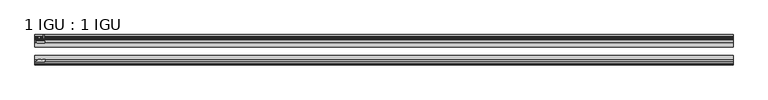
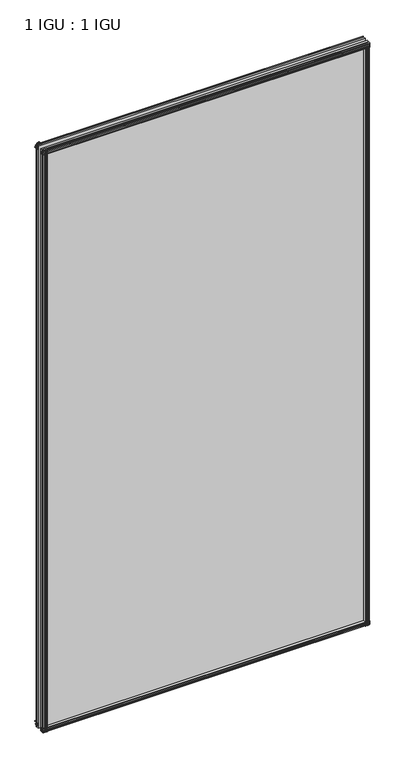
"""IFC4 building model written with IfcOpenShell, lengths in millimetres: plate geometry, 1 IGU : 1 IGU."""

import ifcopenshell
import ifcopenshell.guid

model = None  # the IFC model being written
_history = None  # IfcOwnerHistory: only IFC2X3 demands one
_inside = {}  # id of a spatial element -> (the spatial element, [elements in it])
_under = {}  # id of a project, library or spatial element -> (it, [spatial elements below it])
_declared = {}  # id of a project -> (the project, [libraries it declares])
_typed = {}  # id of a type object -> (the type object, [elements of that type])
_made_of = {}  # id of a material, layer set ... -> (it, [elements and type objects made of it])


def new_model(schema):
    """Start an empty IFC model of exactly this schema.

    Asked for "IFC4X3", IfcOpenShell would pick the latest addendum, in which some entities
    have other attributes; the version numbers below select the first issue.
    IFC2X3 requires an IfcOwnerHistory on every rooted entity: one is made here for all.
    """
    global model, _history
    if schema == "IFC4X3":
        model = ifcopenshell.file(schema_version=(4, 3, 0, 0))
    else:
        model = ifcopenshell.file(schema=schema)
    _inside.clear()
    _under.clear()
    _declared.clear()
    _typed.clear()
    _made_of.clear()
    _history = None
    if model.schema == "IFC2X3":
        org = make("IfcOrganization", Name="unknown")
        user = make(
            "IfcPersonAndOrganization",
            ThePerson=make("IfcPerson", FamilyName="unknown"),
            TheOrganization=org,
        )
        app = make(
            "IfcApplication",
            ApplicationDeveloper=org,
            Version="unknown",
            ApplicationFullName="unknown",
            ApplicationIdentifier="unknown",
        )
        _history = make(
            "IfcOwnerHistory",
            OwningUser=user,
            OwningApplication=app,
            ChangeAction="ADDED",
            CreationDate=0,
        )
    return model


def make(cls, **values):
    """One entity of the class cls with the attributes given. An attribute that is None is left unset."""
    return model.create_entity(
        cls, **{name: value for name, value in values.items() if value is not None}
    )


def rooted(cls, **values):
    """An entity with a GlobalId (a new one), such as an element, a storey or a relation."""
    return make(cls, GlobalId=ifcopenshell.guid.new(), OwnerHistory=_history, **values)


def si_unit(unit_type, name, prefix=None):
    """IfcSIUnit, for example si_unit("LENGTHUNIT", "METRE", prefix="MILLI")."""
    return make("IfcSIUnit", UnitType=unit_type, Prefix=prefix, Name=name)


def assignment(units):
    """IfcUnitAssignment: the units of a project."""
    return None if units is None else make("IfcUnitAssignment", Units=units)


def point(xyz):
    """IfcCartesianPoint."""
    return None if xyz is None else make("IfcCartesianPoint", Coordinates=xyz)


def direction(xyz):
    """IfcDirection."""
    return None if xyz is None else make("IfcDirection", DirectionRatios=xyz)


def frame(location, z_axis=None, x_axis=None):
    """IfcAxis2Placement3D, a coordinate frame: its origin and axes. An axis left out is left unset."""
    return make(
        "IfcAxis2Placement3D",
        Location=point(location),
        Axis=direction(z_axis),
        RefDirection=direction(x_axis),
    )


def frame_2d(location, x_axis=None):
    """IfcAxis2Placement2D, a coordinate frame in the plane: its origin and x axis."""
    return make(
        "IfcAxis2Placement2D", Location=point(location), RefDirection=direction(x_axis)
    )


def origin():
    """The frame at (0, 0, 0) with its axes left unset."""
    return frame((0.0, 0.0, 0.0))


def place(relative_to, where):
    """IfcLocalPlacement: puts the frame where relative to a parent placement (None: the world)."""
    return make(
        "IfcLocalPlacement", PlacementRelTo=relative_to, RelativePlacement=where
    )


def context(
    kind, dimensions, precision=None, world=None, true_north=None, identifier=None
):
    """IfcGeometricRepresentationContext, for example the 3D "Model" context."""
    return make(
        "IfcGeometricRepresentationContext",
        ContextIdentifier=identifier,
        ContextType=kind,
        CoordinateSpaceDimension=dimensions,
        Precision=precision,
        WorldCoordinateSystem=world,
        TrueNorth=true_north,
    )


def project(units=None, contexts=None):
    """IfcProject with its units and contexts."""
    return rooted(
        "IfcProject",
        Name="project",
        RepresentationContexts=contexts,
        UnitsInContext=assignment(units),
    )


def spatial(cls, under=None, at=None, **own):
    """A site, building, storey or space (cls), placed at a placement, below another one or the project."""
    s = rooted(cls, ObjectPlacement=at, **own)
    if under is not None:
        _under.setdefault(under.id(), (under, []))[1].append(s)
    return s


def polyline(points):
    """IfcPolyline through the points."""
    return make("IfcPolyline", Points=[point(p) for p in points])


def circle_curve(where, radius):
    """IfcCircle in the frame where."""
    return make("IfcCircle", Position=where, Radius=radius)


def trimmed(basis, trim1, trim2, sense, master):
    """IfcTrimmedCurve: the piece of a basis curve between two trims."""
    return make(
        "IfcTrimmedCurve",
        BasisCurve=basis,
        Trim1=trim1,
        Trim2=trim2,
        SenseAgreement=sense,
        MasterRepresentation=master,
    )


def segment(curve, same_sense, transition):
    """IfcCompositeCurveSegment."""
    return make(
        "IfcCompositeCurveSegment",
        Transition=transition,
        SameSense=same_sense,
        ParentCurve=curve,
    )


def composite_curve(segments, self_intersect=None):
    """IfcCompositeCurve: segments joined end to end."""
    return make("IfcCompositeCurve", Segments=segments, SelfIntersect=self_intersect)


def outline(outer, holes=None, kind="AREA"):
    """IfcArbitraryClosedProfileDef: a profile drawn as a closed curve; with holes, ...WithVoids."""
    if holes is None:
        return make("IfcArbitraryClosedProfileDef", ProfileType=kind, OuterCurve=outer)
    return make(
        "IfcArbitraryProfileDefWithVoids",
        ProfileType=kind,
        OuterCurve=outer,
        InnerCurves=holes,
    )


def extrude(swept, where, along, depth):
    """IfcExtrudedAreaSolid: the profile swept, set in the frame where, extruded along a direction by depth."""
    return make(
        "IfcExtrudedAreaSolid",
        SweptArea=swept,
        Position=where,
        ExtrudedDirection=direction(along),
        Depth=depth,
    )


def shape(context_of_items, identifier, shape_type, items):
    """IfcShapeRepresentation: the items that make up one representation, for example the "Body"."""
    return make(
        "IfcShapeRepresentation",
        ContextOfItems=context_of_items,
        RepresentationIdentifier=identifier,
        RepresentationType=shape_type,
        Items=items,
    )


def source(mapping_origin, context_of_items, identifier, shape_type, items):
    """IfcRepresentationMap: a shape defined once, which mapped items show again and again."""
    return make(
        "IfcRepresentationMap",
        MappingOrigin=mapping_origin,
        MappedRepresentation=shape(context_of_items, identifier, shape_type, items),
    )


def transform(
    local_origin,
    x_axis=None,
    y_axis=None,
    z_axis=None,
    scale=None,
    scale2=None,
    scale3=None,
    uniform=True,
):
    """IfcCartesianTransformationOperator3D, or its non-uniform kind. x_axis, y_axis, z_axis: its Axis1, 2, 3."""
    if uniform:
        return make(
            "IfcCartesianTransformationOperator3D",
            Axis1=direction(x_axis),
            Axis2=direction(y_axis),
            LocalOrigin=point(local_origin),
            Scale=scale,
            Axis3=direction(z_axis),
        )
    return make(
        "IfcCartesianTransformationOperator3DnonUniform",
        Axis1=direction(x_axis),
        Axis2=direction(y_axis),
        LocalOrigin=point(local_origin),
        Scale=scale,
        Axis3=direction(z_axis),
        Scale2=scale2,
        Scale3=scale3,
    )


def mapped(mapping_source, mapping_target):
    """IfcMappedItem: shows the shape of a source again, moved by a transform."""
    return make(
        "IfcMappedItem", MappingSource=mapping_source, MappingTarget=mapping_target
    )


def made_of(thing, what):
    """Note that an element or type object is made of a material, layer set ...; save() writes the relation."""
    if what is not None:
        _made_of.setdefault(what.id(), (what, []))[1].append(thing)
    return thing


def element(
    cls,
    number,
    at=None,
    inside=None,
    cuts=None,
    type_object=None,
    material=None,
    context=None,
    identifier="Body",
    shape_type=None,
    held_by="IfcProductDefinitionShape",
    body=None,
    shapes=None,
    **own,
):
    """One element of the class cls, such as IfcWall. Its Tag is "e" and its number.

    at: its placement. inside: the storey or other place that contains it. cuts: it is an
    opening in that element (IfcRelVoidsElement). A single representation is given by context,
    identifier, shape_type and body (its items); several are given by shapes. held_by: the class
    of the entity that holds the representations. save() writes the other relations.
    """
    e = rooted(cls, Tag="e%d" % number, ObjectPlacement=at, **own)
    if body is not None:
        shapes = [shape(context, identifier, shape_type, body)]
    if shapes is not None:
        e.Representation = make(held_by, Representations=shapes)
    if inside is not None:
        _inside.setdefault(inside.id(), (inside, []))[1].append(e)
    if cuts is not None:
        rooted(
            "IfcRelVoidsElement", RelatingBuildingElement=cuts, RelatedOpeningElement=e
        )
    if type_object is not None:
        _typed.setdefault(type_object.id(), (type_object, []))[1].append(e)
    return made_of(e, material)


def aggregate(whole, parts):
    """IfcRelAggregates: a whole, such as a stair, and the parts it consists of."""
    return rooted("IfcRelAggregates", RelatingObject=whole, RelatedObjects=parts)


def save(model, path):
    """Write the relations noted so far, then the file.

    IfcRelAggregates (storeys below a building ...), IfcRelContainedInSpatialStructure (elements
    in a storey), IfcRelDefinesByType, IfcRelAssociatesMaterial and IfcRelDeclares: one each for
    every whole, place, type object, material and project.
    """
    for whole, parts in _under.values():
        aggregate(whole, parts)
    for where, things in _inside.values():
        rooted(
            "IfcRelContainedInSpatialStructure",
            RelatedElements=things,
            RelatingStructure=where,
        )
    for kind, things in _typed.values():
        rooted("IfcRelDefinesByType", RelatedObjects=things, RelatingType=kind)
    for what, things in _made_of.values():
        rooted("IfcRelAssociatesMaterial", RelatedObjects=things, RelatingMaterial=what)
    for by, libraries in _declared.values():
        rooted("IfcRelDeclares", RelatingContext=by, RelatedDefinitions=libraries)
    model.write(path)


def plate_1_igu_1_igu_138b225a(model_context):
    return source(origin(), model_context, "Body", "SweptSolid", [
        extrude(outline(polyline([(-24.9039062, 2.5763839), (-12.2039062, 1.5739665), (-12.2039062, 0.0), (-18.5539062, 0.0), (-18.5539062, -4.953), (-16.254502, -5.5691235), (-16.6301757, -4.1670901), (-15.7714677, -3.937), (-15.1249062, -6.35), (-15.7714677, -8.763), (-16.6301757, -8.5329099), (-16.254502, -7.1308765), (-18.5539062, -7.747), (-18.5539062, -12.7), (-20.5859062, -12.7), (-24.9039062, -9.1036931), (-24.9039062, 2.5763839)])), frame((-535.4727182, 0.0, 0.0), z_axis=(1.0, 0.0, 0.0), x_axis=(0.0, 1.0, 0.0)), (0.0, 0.0, 1.0), 1072.6321551),
        extrude(outline(composite_curve([segment(polyline([(-58.2287402, 1.5687054), (-50.3039062, 3.0983599), (-50.3039062, -7.92383), (-54.4858806, -12.1058044)]), True, "CONTINUOUS"), segment(trimmed(circle_curve(frame_2d((-55.3839062, -11.2077788)), 1.27), [point((-54.4858806, -12.1058044))], [point((-56.6539062, -11.2077788))], False, "CARTESIAN"), True, "CONTINUOUS"), segment(polyline([(-56.6539062, -11.2077788), (-56.6539062, -8.0327788), (-58.1332022, -5.4488186), (-56.6539062, -5.1879788), (-56.6539062, 0.2222212), (-58.2287402, 0.0), (-58.2287402, 1.5687054)]), True, "CONTINUOUS")], self_intersect=False)), frame((-535.4727182, 0.0, 0.0), z_axis=(1.0, 0.0, 0.0), x_axis=(0.0, 1.0, 0.0)), (0.0, 0.0, 1.0), 1072.6321551),
        extrude(outline(polyline([(-18.5539063, 2001.656525), (-16.254502, 2001.0404015), (-16.6301757, 2002.4424349), (-15.7714677, 2002.672525), (-15.1249063, 2000.259525), (-15.7714677, 1997.846525), (-16.6301757, 1998.0766151), (-16.254502, 1999.4786485), (-18.5539063, 1998.862525), (-18.5539063, 1993.909525), (-12.2039062, 1993.909525), (-12.2039062, 1992.3355584), (-24.9039063, 1991.3331411), (-24.9039063, 2003.0132181), (-20.5859063, 2006.609525), (-18.5539063, 2006.609525), (-18.5539063, 2001.656525)])), frame((-535.4727182, 0.0, 0.0), z_axis=(1.0, 0.0, 0.0), x_axis=(0.0, 1.0, 0.0)), (0.0, 0.0, 1.0), 1072.6321551),
        extrude(outline(composite_curve([segment(polyline([(-50.3039063, 2001.833355), (-50.3039063, 1990.8111651), (-58.2287402, 1992.3408196), (-58.2287402, 1993.909525), (-56.6539063, 1993.6873038), (-56.6539063, 1999.0975038), (-58.1332023, 1999.3583436), (-56.6539063, 2001.9423038), (-56.6539063, 2005.1173038)]), True, "CONTINUOUS"), segment(trimmed(circle_curve(frame_2d((-55.3839063, 2005.1173038)), 1.27), [point((-56.6539063, 2005.1173038))], [point((-54.4858806, 2006.0153294))], False, "CARTESIAN"), True, "CONTINUOUS"), segment(polyline([(-54.4858806, 2006.0153294), (-50.3039063, 2001.833355)]), True, "CONTINUOUS")], self_intersect=False)), frame((-535.4727182, 0.0, 0.0), z_axis=(1.0, 0.0, 0.0), x_axis=(0.0, 1.0, 0.0)), (0.0, 0.0, 1.0), 1072.6321551),
        extrude(outline(composite_curve([segment(polyline([(522.7283929, -57.3876965), (521.361077, -50.3039063), (532.3832669, -50.3039063), (536.5652413, -54.4858806)]), True, "CONTINUOUS"), segment(trimmed(circle_curve(frame_2d((535.6672157, -55.3839063)), 1.27), [point((536.5652413, -54.4858806))], [point((535.6672157, -56.6539063))], False, "CARTESIAN"), True, "CONTINUOUS"), segment(polyline([(535.6672157, -56.6539063), (532.4922157, -56.6539063), (529.9082555, -58.1332023), (529.6474157, -56.6539063), (524.2372157, -56.6539063), (524.4594369, -58.2287402), (523.4951162, -58.2014026)]), True, "CONTINUOUS"), segment(trimmed(circle_curve(frame_2d((523.7292157, -57.2127402)), 1.016), [point((523.4951162, -58.2014026))], [point((522.7283929, -57.3876965))], False, "CARTESIAN"), True, "CONTINUOUS")], self_intersect=False)), frame((0.0, 0.0, -12.7), z_axis=(0.0, 0.0, 1.0), x_axis=(1.0, 0.0, 0.0)), (0.0, 0.0, 1.0), 2007.0064),
        extrude(outline(polyline([(529.4124369, -18.5539063), (530.0285604, -16.254502), (528.6265271, -16.6301757), (528.3964369, -15.7714677), (530.8094369, -15.1249063), (533.2224369, -15.7714677), (532.9923468, -16.6301757), (531.5903134, -16.254502), (532.2064369, -18.5539063), (537.1594369, -18.5539063), (537.1594369, -20.5859063), (533.56313, -24.9039063), (521.883053, -24.9039063), (522.8854704, -12.2039063), (524.4594369, -12.2039063), (524.4594369, -18.5539063), (529.4124369, -18.5539063)])), frame((0.0, 0.0, -12.7), z_axis=(0.0, 0.0, 1.0), x_axis=(1.0, 0.0, 0.0)), (0.0, 0.0, 1.0), 2007.0064),
        extrude(outline(composite_curve([segment(polyline([(-530.805497, -56.6539062), (-533.980497, -56.6539062)]), True, "CONTINUOUS"), segment(trimmed(circle_curve(frame_2d((-533.980497, -55.3839062)), 1.27), [point((-533.980497, -56.6539062))], [point((-534.8785226, -54.4858806))], False, "CARTESIAN"), True, "CONTINUOUS"), segment(polyline([(-534.8785226, -54.4858806), (-530.6965482, -50.3039062), (-527.0270027, -50.3039062)]), True, "CONTINUOUS"), segment(trimmed(circle_curve(frame_2d((-524.963497, -46.3669062)), 4.445), [point((-527.0270027, -50.3039062))], [point((-522.8999912, -50.3039062))], True, "CARTESIAN"), True, "CONTINUOUS"), segment(polyline([(-522.8999912, -50.3039062), (-519.6743582, -50.3039062), (-521.2040127, -58.2287402), (-522.7727182, -58.2287402), (-522.550497, -56.6539062), (-527.960697, -56.6539062), (-528.2215368, -58.1332022), (-530.805497, -56.6539062)]), True, "CONTINUOUS")], self_intersect=False)), frame((0.0, 0.0, -12.7), z_axis=(0.0, 0.0, 1.0), x_axis=(1.0, 0.0, 0.0)), (0.0, 0.0, 1.0), 2019.309525),
        extrude(outline(polyline([(-520.1963342, -24.9039062), (-531.8764113, -24.9039062), (-535.4727182, -20.5859062), (-535.4727182, -18.5539062), (-530.5197182, -18.5539062), (-529.9035947, -16.254502), (-531.305628, -16.6301757), (-531.5357182, -15.7714677), (-529.1227182, -15.1249062), (-526.7097182, -15.7714677), (-526.9398083, -16.6301757), (-528.3418417, -16.254502), (-527.7257182, -18.5539062), (-522.7727182, -18.5539062), (-522.7727182, -12.2039062), (-521.1987516, -12.2039062), (-520.1963342, -24.9039062)])), frame((0.0, 0.0, -12.7), z_axis=(0.0, 0.0, 1.0), x_axis=(1.0, 0.0, 0.0)), (0.0, 0.0, 1.0), 2019.309525),
        extrude(outline(polyline([(537.1594369, -24.9039062), (537.1594369, -31.2031063), (-535.4727182, -31.2031063), (-535.4727182, -24.9039062), (537.1594369, -24.9039062)])), frame((0.0, 0.0, -12.7), z_axis=(0.0, 0.0, 1.0), x_axis=(1.0, 0.0, 0.0)), (0.0, 0.0, 1.0), 2019.309525),
        extrude(outline(polyline([(-535.4727182, -44.0047063), (537.1594369, -44.0047063), (537.1594369, -50.3039062), (-535.4727182, -50.3039062), (-535.4727182, -44.0047063)])), frame((0.0, 0.0, -12.7), z_axis=(0.0, 0.0, 1.0), x_axis=(1.0, 0.0, 0.0)), (0.0, 0.0, 1.0), 2019.309525),
    ])


if __name__ == "__main__":
    model = new_model("IFC4")
    model_context = context("Model", 3, world=origin())
    ifc_project = project(units=[si_unit("LENGTHUNIT", "METRE", prefix="MILLI")], contexts=[model_context])
    site = spatial("IfcSite", under=ifc_project)
    building = spatial("IfcBuilding", under=site)
    placement = place(None, origin())
    plate_1_igu_1_igu_shape = plate_1_igu_1_igu_138b225a(model_context)
    element("IfcPlate", 1, ObjectType="1 IGU : 1 IGU", at=placement, inside=building, context=model_context, shape_type="MappedRepresentation", body=[
        mapped(plate_1_igu_1_igu_shape, transform((0.0, 0.0, 0.0), x_axis=(1.0, 0.0, 0.0), y_axis=(0.0, 1.0, 0.0), z_axis=(0.0, 0.0, 1.0))),
    ])
    save(model, "model.ifc")
